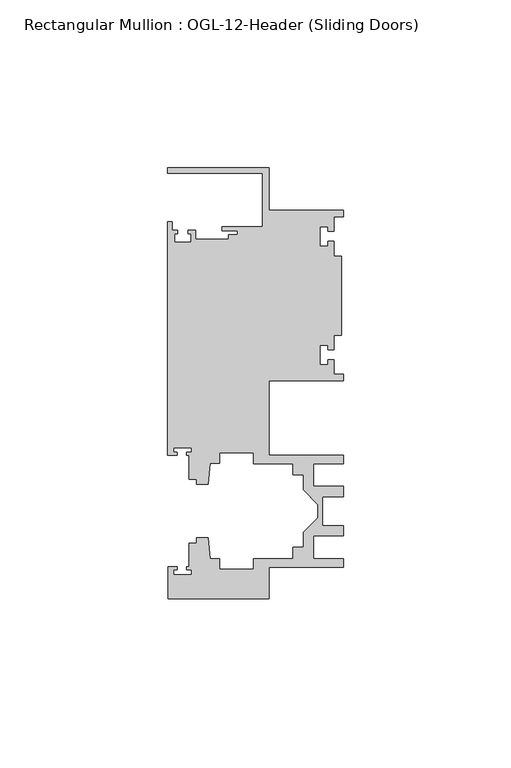
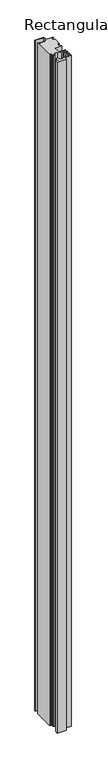
"""IFC4 building model written with IfcOpenShell, lengths in millimetres: member geometry, Rectangular Mullion : OGL-12-Header (Sliding Doors)."""

from ifc_helpers import new_model, si_unit, frame, origin, place, context, project, spatial, polyline, outline, extrude, source, transform, mapped, element, save


def rectangular_mullion_ogl_12_header_sliding_doors_27013177(model_context):
    return source(origin(), model_context, "Body", "SweptSolid", [
        extrude(outline(polyline([(0.0, 25.4), (0.0, 23.488176), (-2.740223, 23.488176), (-2.740223, 19.1395859), (-4.5407068, 19.1395859), (-4.5407068, 20.5271706), (-7.0406862, 20.5271706), (-7.0406862, 14.7651725), (-4.5407047, 14.7651725), (-4.5407047, 16.1605952), (-2.740223, 16.1605952), (-2.740223, 11.8041704), (-0.508, 11.8041704), (-0.508, -11.8041704), (-2.740223, -11.8041704), (-2.740223, -16.1605952), (-4.5407047, -16.1605952), (-4.5407047, -14.7651725), (-7.0406862, -14.7651725), (-7.0406862, -20.5271706), (-4.5407068, -20.5271706), (-4.5407068, -19.1395859), (-2.740223, -19.1395859), (-2.740223, -23.488176), (0.0, -23.488176), (0.0, -25.4), (-22.2332898, -25.4), (-22.2332898, -47.513352), (-0.0082575, -47.513352), (-0.0082575, -50.013352), (-8.8582575, -50.013352), (-8.8582575, -56.8562795), (-0.0082575, -56.8562795), (-0.0082575, -59.8562795), (-6.1582575, -59.8562795), (-6.1582575, -68.5325565), (-0.0082575, -68.5325565), (-0.0082575, -71.5325565), (-8.8582575, -71.5325565), (-8.8582575, -78.375484), (-0.0082575, -78.375484), (-0.0082575, -80.875484), (-22.2032575, -80.875484), (-22.2032575, -90.3252352), (-52.2095715, -90.3252352), (-52.2095715, -80.7425364), (-49.5692346, -80.7425364), (-49.5692346, -81.7156466), (-50.6220715, -81.7156466), (-50.6220715, -83.0934363), (-45.3220715, -83.0934363), (-45.3220715, -81.7156466), (-46.8181909, -81.7156466), (-46.8181909, -80.7425364), (-45.9710366, -80.7425364), (-45.9710366, -73.7629518), (-43.7582575, -73.7629518), (-43.7582575, -72.175484), (-40.3395523, -72.175484), (-39.7961967, -78.3860669), (-36.8419772, -78.3860669), (-36.8419772, -81.550484), (-26.7462575, -81.550484), (-26.7462575, -78.375484), (-15.0768765, -78.375484), (-15.0768765, -74.975484), (-11.8582575, -74.975484), (-11.8582575, -70.4941892), (-7.4980859, -66.1340176), (-7.4980859, -62.2548184), (-11.8582575, -57.8946468), (-11.8582575, -53.413352), (-15.0768765, -53.413352), (-15.0768765, -50.013352), (-26.7462575, -50.013352), (-26.7462575, -46.838352), (-36.8419772, -46.838352), (-36.8419772, -50.0027691), (-39.7961967, -50.0027691), (-40.3395523, -56.213352), (-43.7582575, -56.213352), (-43.7582575, -54.6622994), (-45.9710366, -54.6622994), (-45.9710366, -47.583496), (-46.769305, -47.583496), (-46.769305, -46.7096046), (-45.3220715, -46.7096046), (-45.3220715, -45.3318149), (-50.6220715, -45.3318149), (-50.6220715, -46.7096046), (-49.5910554, -46.7096046), (-49.5910554, -47.583496), (-52.3921824, -47.583496), (-52.3921824, 21.9710976), (-51.1362531, 21.9710976), (-51.1362531, 19.4824275), (-49.3568347, 19.4824275), (-49.3568347, 18.4751625), (-50.359397, 18.4751625), (-50.359397, 15.9751675), (-45.359407, 15.9751675), (-45.359407, 18.4751625), (-46.3304245, 18.4751625), (-46.3304245, 19.4824275), (-44.1094055, 19.4824275), (-44.1094055, 16.8641675), (-34.2833684, 16.8641675), (-34.2833684, 18.1510261), (-31.5444935, 18.1510261), (-31.5444935, 19.3006707), (-36.2104247, 19.3006707), (-36.2104247, 20.5916734), (-24.0747898, 20.5916734), (-24.0747898, 36.512516), (-52.3921824, 36.512516), (-52.3921824, 38.0996792), (-22.2332898, 38.0996792), (-22.2332898, 25.4), (0.0, 25.4)])), frame((0.0, 0.0, -2362.2), z_axis=(0.0, 0.0, 1.0), x_axis=(1.0, 0.0, 0.0)), (0.0, 0.0, 1.0), 2362.2),
    ])


if __name__ == "__main__":
    model = new_model("IFC4")
    model_context = context("Model", 3, world=origin())
    ifc_project = project(units=[si_unit("LENGTHUNIT", "METRE", prefix="MILLI")], contexts=[model_context])
    site = spatial("IfcSite", under=ifc_project)
    building = spatial("IfcBuilding", under=site)
    placement = place(None, origin())
    rectangular_mullion_ogl_12_header_sliding_doors_shape = rectangular_mullion_ogl_12_header_sliding_doors_27013177(model_context)
    element("IfcMember", 1, ObjectType="Rectangular Mullion : OGL-12-Header (Sliding Doors)", at=placement, inside=building, context=model_context, shape_type="MappedRepresentation", body=[
        mapped(rectangular_mullion_ogl_12_header_sliding_doors_shape, transform((0.0, 0.0, 0.0), x_axis=(1.0, 0.0, 0.0), y_axis=(0.0, 1.0, 0.0), z_axis=(0.0, 0.0, 1.0))),
    ])
    save(model, "model.ifc")
